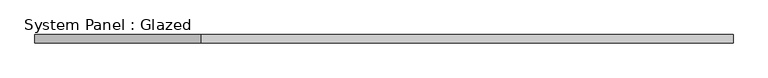
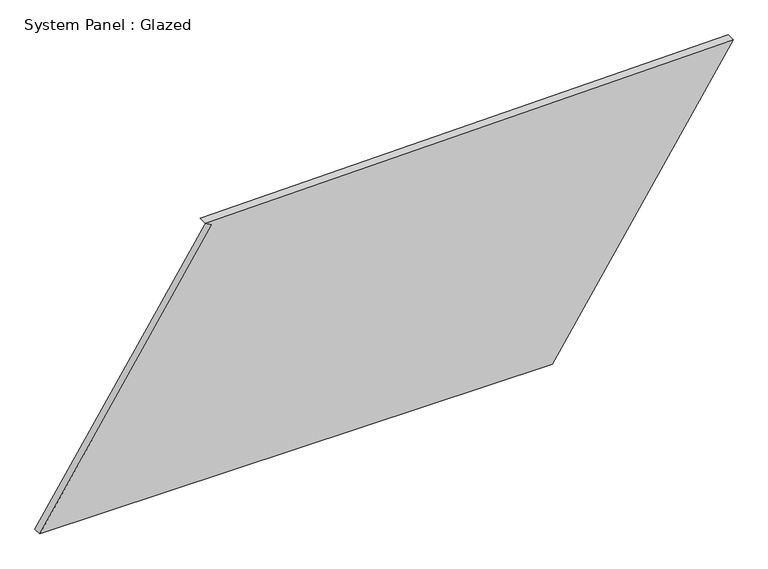
"""IFC4 building model written with IfcOpenShell, lengths in millimetres: plate geometry, System Panel : Glazed."""

from ifc_helpers import new_model, si_unit, frame, origin, place, context, project, spatial, polyline, outline, extrude, source, transform, mapped, element, save


def system_panel_glazed_c73a0554(model_context):
    return source(origin(), model_context, "Body", "SweptSolid", [
        extrude(outline(polyline([(0.0, -1051.7527886), (0.0, 503.3438932), (848.8861826, 1051.7527886), (821.5521195, -550.1301187), (807.9743673, -529.1385813), (0.0, -1051.7527886)])), frame((0.0, -49.5, 0.0), z_axis=(0.0, 1.0, 0.0), x_axis=(0.0, 0.0, 1.0)), (0.0, 0.0, 1.0), 25.0),
    ])


if __name__ == "__main__":
    model = new_model("IFC4")
    model_context = context("Model", 3, world=origin())
    ifc_project = project(units=[si_unit("LENGTHUNIT", "METRE", prefix="MILLI")], contexts=[model_context])
    site = spatial("IfcSite", under=ifc_project)
    building = spatial("IfcBuilding", under=site)
    placement = place(None, origin())
    system_panel_glazed_shape = system_panel_glazed_c73a0554(model_context)
    element("IfcPlate", 1, ObjectType="System Panel : Glazed", at=placement, inside=building, context=model_context, shape_type="MappedRepresentation", body=[
        mapped(system_panel_glazed_shape, transform((0.0, 0.0, 0.0), x_axis=(1.0, 0.0, 0.0), y_axis=(0.0, 1.0, 0.0), z_axis=(0.0, 0.0, 1.0))),
    ])
    save(model, "model.ifc")
